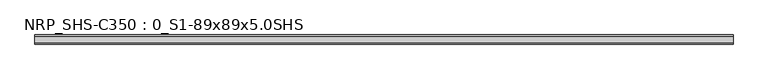
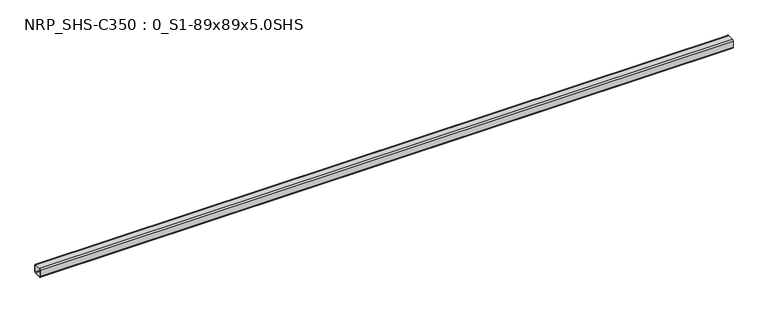
"""IFC4 building model written with IfcOpenShell, lengths in millimetres: beam geometry, NRP_SHS-C350 : 0_S1-89x89x5.0SHS."""

import ifcopenshell
import ifcopenshell.guid

model = None  # the IFC model being written
_history = None  # IfcOwnerHistory: only IFC2X3 demands one
_inside = {}  # id of a spatial element -> (the spatial element, [elements in it])
_under = {}  # id of a project, library or spatial element -> (it, [spatial elements below it])
_declared = {}  # id of a project -> (the project, [libraries it declares])
_typed = {}  # id of a type object -> (the type object, [elements of that type])
_made_of = {}  # id of a material, layer set ... -> (it, [elements and type objects made of it])


def new_model(schema):
    """Start an empty IFC model of exactly this schema.

    Asked for "IFC4X3", IfcOpenShell would pick the latest addendum, in which some entities
    have other attributes; the version numbers below select the first issue.
    IFC2X3 requires an IfcOwnerHistory on every rooted entity: one is made here for all.
    """
    global model, _history
    if schema == "IFC4X3":
        model = ifcopenshell.file(schema_version=(4, 3, 0, 0))
    else:
        model = ifcopenshell.file(schema=schema)
    _inside.clear()
    _under.clear()
    _declared.clear()
    _typed.clear()
    _made_of.clear()
    _history = None
    if model.schema == "IFC2X3":
        org = make("IfcOrganization", Name="unknown")
        user = make(
            "IfcPersonAndOrganization",
            ThePerson=make("IfcPerson", FamilyName="unknown"),
            TheOrganization=org,
        )
        app = make(
            "IfcApplication",
            ApplicationDeveloper=org,
            Version="unknown",
            ApplicationFullName="unknown",
            ApplicationIdentifier="unknown",
        )
        _history = make(
            "IfcOwnerHistory",
            OwningUser=user,
            OwningApplication=app,
            ChangeAction="ADDED",
            CreationDate=0,
        )
    return model


def make(cls, **values):
    """One entity of the class cls with the attributes given. An attribute that is None is left unset."""
    return model.create_entity(
        cls, **{name: value for name, value in values.items() if value is not None}
    )


def rooted(cls, **values):
    """An entity with a GlobalId (a new one), such as an element, a storey or a relation."""
    return make(cls, GlobalId=ifcopenshell.guid.new(), OwnerHistory=_history, **values)


def si_unit(unit_type, name, prefix=None):
    """IfcSIUnit, for example si_unit("LENGTHUNIT", "METRE", prefix="MILLI")."""
    return make("IfcSIUnit", UnitType=unit_type, Prefix=prefix, Name=name)


def assignment(units):
    """IfcUnitAssignment: the units of a project."""
    return None if units is None else make("IfcUnitAssignment", Units=units)


def point(xyz):
    """IfcCartesianPoint."""
    return None if xyz is None else make("IfcCartesianPoint", Coordinates=xyz)


def direction(xyz):
    """IfcDirection."""
    return None if xyz is None else make("IfcDirection", DirectionRatios=xyz)


def frame(location, z_axis=None, x_axis=None):
    """IfcAxis2Placement3D, a coordinate frame: its origin and axes. An axis left out is left unset."""
    return make(
        "IfcAxis2Placement3D",
        Location=point(location),
        Axis=direction(z_axis),
        RefDirection=direction(x_axis),
    )


def frame_2d(location, x_axis=None):
    """IfcAxis2Placement2D, a coordinate frame in the plane: its origin and x axis."""
    return make(
        "IfcAxis2Placement2D", Location=point(location), RefDirection=direction(x_axis)
    )


def origin():
    """The frame at (0, 0, 0) with its axes left unset."""
    return frame((0.0, 0.0, 0.0))


def place(relative_to, where):
    """IfcLocalPlacement: puts the frame where relative to a parent placement (None: the world)."""
    return make(
        "IfcLocalPlacement", PlacementRelTo=relative_to, RelativePlacement=where
    )


def context(
    kind, dimensions, precision=None, world=None, true_north=None, identifier=None
):
    """IfcGeometricRepresentationContext, for example the 3D "Model" context."""
    return make(
        "IfcGeometricRepresentationContext",
        ContextIdentifier=identifier,
        ContextType=kind,
        CoordinateSpaceDimension=dimensions,
        Precision=precision,
        WorldCoordinateSystem=world,
        TrueNorth=true_north,
    )


def project(units=None, contexts=None):
    """IfcProject with its units and contexts."""
    return rooted(
        "IfcProject",
        Name="project",
        RepresentationContexts=contexts,
        UnitsInContext=assignment(units),
    )


def spatial(cls, under=None, at=None, **own):
    """A site, building, storey or space (cls), placed at a placement, below another one or the project."""
    s = rooted(cls, ObjectPlacement=at, **own)
    if under is not None:
        _under.setdefault(under.id(), (under, []))[1].append(s)
    return s


def polyline(points):
    """IfcPolyline through the points."""
    return make("IfcPolyline", Points=[point(p) for p in points])


def circle_curve(where, radius):
    """IfcCircle in the frame where."""
    return make("IfcCircle", Position=where, Radius=radius)


def trimmed(basis, trim1, trim2, sense, master):
    """IfcTrimmedCurve: the piece of a basis curve between two trims."""
    return make(
        "IfcTrimmedCurve",
        BasisCurve=basis,
        Trim1=trim1,
        Trim2=trim2,
        SenseAgreement=sense,
        MasterRepresentation=master,
    )


def segment(curve, same_sense, transition):
    """IfcCompositeCurveSegment."""
    return make(
        "IfcCompositeCurveSegment",
        Transition=transition,
        SameSense=same_sense,
        ParentCurve=curve,
    )


def composite_curve(segments, self_intersect=None):
    """IfcCompositeCurve: segments joined end to end."""
    return make("IfcCompositeCurve", Segments=segments, SelfIntersect=self_intersect)


def outline(outer, holes=None, kind="AREA"):
    """IfcArbitraryClosedProfileDef: a profile drawn as a closed curve; with holes, ...WithVoids."""
    if holes is None:
        return make("IfcArbitraryClosedProfileDef", ProfileType=kind, OuterCurve=outer)
    return make(
        "IfcArbitraryProfileDefWithVoids",
        ProfileType=kind,
        OuterCurve=outer,
        InnerCurves=holes,
    )


def extrude(swept, where, along, depth):
    """IfcExtrudedAreaSolid: the profile swept, set in the frame where, extruded along a direction by depth."""
    return make(
        "IfcExtrudedAreaSolid",
        SweptArea=swept,
        Position=where,
        ExtrudedDirection=direction(along),
        Depth=depth,
    )


def shape(context_of_items, identifier, shape_type, items):
    """IfcShapeRepresentation: the items that make up one representation, for example the "Body"."""
    return make(
        "IfcShapeRepresentation",
        ContextOfItems=context_of_items,
        RepresentationIdentifier=identifier,
        RepresentationType=shape_type,
        Items=items,
    )


def source(mapping_origin, context_of_items, identifier, shape_type, items):
    """IfcRepresentationMap: a shape defined once, which mapped items show again and again."""
    return make(
        "IfcRepresentationMap",
        MappingOrigin=mapping_origin,
        MappedRepresentation=shape(context_of_items, identifier, shape_type, items),
    )


def transform(
    local_origin,
    x_axis=None,
    y_axis=None,
    z_axis=None,
    scale=None,
    scale2=None,
    scale3=None,
    uniform=True,
):
    """IfcCartesianTransformationOperator3D, or its non-uniform kind. x_axis, y_axis, z_axis: its Axis1, 2, 3."""
    if uniform:
        return make(
            "IfcCartesianTransformationOperator3D",
            Axis1=direction(x_axis),
            Axis2=direction(y_axis),
            LocalOrigin=point(local_origin),
            Scale=scale,
            Axis3=direction(z_axis),
        )
    return make(
        "IfcCartesianTransformationOperator3DnonUniform",
        Axis1=direction(x_axis),
        Axis2=direction(y_axis),
        LocalOrigin=point(local_origin),
        Scale=scale,
        Axis3=direction(z_axis),
        Scale2=scale2,
        Scale3=scale3,
    )


def mapped(mapping_source, mapping_target):
    """IfcMappedItem: shows the shape of a source again, moved by a transform."""
    return make(
        "IfcMappedItem", MappingSource=mapping_source, MappingTarget=mapping_target
    )


def made_of(thing, what):
    """Note that an element or type object is made of a material, layer set ...; save() writes the relation."""
    if what is not None:
        _made_of.setdefault(what.id(), (what, []))[1].append(thing)
    return thing


def element(
    cls,
    number,
    at=None,
    inside=None,
    cuts=None,
    type_object=None,
    material=None,
    context=None,
    identifier="Body",
    shape_type=None,
    held_by="IfcProductDefinitionShape",
    body=None,
    shapes=None,
    **own,
):
    """One element of the class cls, such as IfcWall. Its Tag is "e" and its number.

    at: its placement. inside: the storey or other place that contains it. cuts: it is an
    opening in that element (IfcRelVoidsElement). A single representation is given by context,
    identifier, shape_type and body (its items); several are given by shapes. held_by: the class
    of the entity that holds the representations. save() writes the other relations.
    """
    e = rooted(cls, Tag="e%d" % number, ObjectPlacement=at, **own)
    if body is not None:
        shapes = [shape(context, identifier, shape_type, body)]
    if shapes is not None:
        e.Representation = make(held_by, Representations=shapes)
    if inside is not None:
        _inside.setdefault(inside.id(), (inside, []))[1].append(e)
    if cuts is not None:
        rooted(
            "IfcRelVoidsElement", RelatingBuildingElement=cuts, RelatedOpeningElement=e
        )
    if type_object is not None:
        _typed.setdefault(type_object.id(), (type_object, []))[1].append(e)
    return made_of(e, material)


def aggregate(whole, parts):
    """IfcRelAggregates: a whole, such as a stair, and the parts it consists of."""
    return rooted("IfcRelAggregates", RelatingObject=whole, RelatedObjects=parts)


def save(model, path):
    """Write the relations noted so far, then the file.

    IfcRelAggregates (storeys below a building ...), IfcRelContainedInSpatialStructure (elements
    in a storey), IfcRelDefinesByType, IfcRelAssociatesMaterial and IfcRelDeclares: one each for
    every whole, place, type object, material and project.
    """
    for whole, parts in _under.values():
        aggregate(whole, parts)
    for where, things in _inside.values():
        rooted(
            "IfcRelContainedInSpatialStructure",
            RelatedElements=things,
            RelatingStructure=where,
        )
    for kind, things in _typed.values():
        rooted("IfcRelDefinesByType", RelatedObjects=things, RelatingType=kind)
    for what, things in _made_of.values():
        rooted("IfcRelAssociatesMaterial", RelatedObjects=things, RelatingMaterial=what)
    for by, libraries in _declared.values():
        rooted("IfcRelDeclares", RelatingContext=by, RelatedDefinitions=libraries)
    model.write(path)


def nrp_shs_c350_0_s1_89x89x5_0shs_71ea0392(model_context):
    return source(origin(), model_context, "Body", "SweptSolid", [
        extrude(outline(composite_curve([segment(polyline([(44.5, 32.0), (44.5, -32.0)]), True, "CONTINUOUS"), segment(trimmed(circle_curve(frame_2d((32.0, -32.0)), 12.5), [point((44.5, -32.0))], [point((32.0, -44.5))], False, "CARTESIAN"), True, "CONTINUOUS"), segment(polyline([(32.0, -44.5), (-32.0, -44.5)]), True, "CONTINUOUS"), segment(trimmed(circle_curve(frame_2d((-32.0, -32.0)), 12.5), [point((-32.0, -44.5))], [point((-44.5, -32.0))], False, "CARTESIAN"), True, "CONTINUOUS"), segment(polyline([(-44.5, -32.0), (-44.5, 32.0)]), True, "CONTINUOUS"), segment(trimmed(circle_curve(frame_2d((-32.0, 32.0)), 12.5), [point((-44.5, 32.0))], [point((-32.0, 44.5))], False, "CARTESIAN"), True, "CONTINUOUS"), segment(polyline([(-32.0, 44.5), (32.0, 44.5)]), True, "CONTINUOUS"), segment(trimmed(circle_curve(frame_2d((32.0, 32.0)), 12.5), [point((32.0, 44.5))], [point((44.5, 32.0))], False, "CARTESIAN"), True, "CONTINUOUS")], self_intersect=False), holes=[composite_curve([segment(trimmed(circle_curve(frame_2d((-32.0, 32.0)), 7.5), [point((-32.0, 39.5))], [point((-39.5, 32.0))], True, "CARTESIAN"), True, "CONTINUOUS"), segment(polyline([(-39.5, 32.0), (-39.5, -32.0)]), True, "CONTINUOUS"), segment(trimmed(circle_curve(frame_2d((-32.0, -32.0)), 7.5), [point((-39.5, -32.0))], [point((-32.0, -39.5))], True, "CARTESIAN"), True, "CONTINUOUS"), segment(polyline([(-32.0, -39.5), (32.0, -39.5)]), True, "CONTINUOUS"), segment(trimmed(circle_curve(frame_2d((32.0, -32.0)), 7.5), [point((32.0, -39.5))], [point((39.5, -32.0))], True, "CARTESIAN"), True, "CONTINUOUS"), segment(polyline([(39.5, -32.0), (39.5, 32.0)]), True, "CONTINUOUS"), segment(trimmed(circle_curve(frame_2d((32.0, 32.0)), 7.5), [point((39.5, 32.0))], [point((32.0, 39.5))], True, "CARTESIAN"), True, "CONTINUOUS"), segment(polyline([(32.0, 39.5), (-32.0, 39.5)]), True, "CONTINUOUS")], self_intersect=False)]), frame((-3364.5, 0.0, 0.0), z_axis=(1.0, 0.0, 0.0), x_axis=(0.0, 1.0, 0.0)), (0.0, 0.0, 1.0), 6793.0),
    ])


if __name__ == "__main__":
    model = new_model("IFC4")
    model_context = context("Model", 3, world=origin())
    ifc_project = project(units=[si_unit("LENGTHUNIT", "METRE", prefix="MILLI")], contexts=[model_context])
    site = spatial("IfcSite", under=ifc_project)
    building = spatial("IfcBuilding", under=site)
    placement = place(None, origin())
    nrp_shs_c350_0_s1_89x89x5_0shs_shape = nrp_shs_c350_0_s1_89x89x5_0shs_71ea0392(model_context)
    element("IfcBeam", 1, ObjectType="NRP_SHS-C350 : 0_S1-89x89x5.0SHS", at=placement, inside=building, context=model_context, shape_type="MappedRepresentation", body=[
        mapped(nrp_shs_c350_0_s1_89x89x5_0shs_shape, transform((0.0, 0.0, 0.0), x_axis=(1.0, 0.0, 0.0), y_axis=(0.0, 1.0, 0.0), z_axis=(0.0, 0.0, 1.0))),
    ])
    save(model, "model.ifc")
